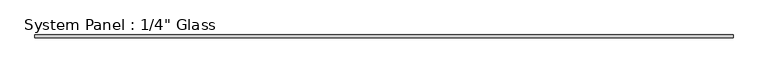
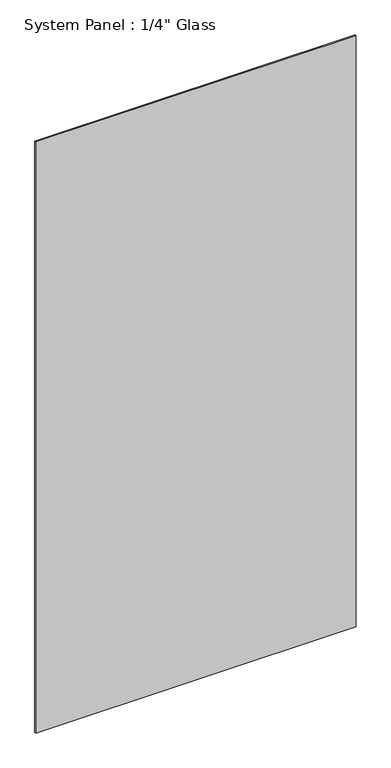
"""IFC4 building model written with IfcOpenShell, lengths in millimetres: plate geometry."""

from ifc_helpers import new_model, si_unit, origin, origin_with_axes, place, context, project, spatial, polyline, outline, extrude, source, transform, mapped, element, save


def plate_4a5cd506(model_context):
    return source(origin(), model_context, "Body", "SweptSolid", [
        extrude(outline(polyline([(759.2591185, -3.175), (-759.2591185, -3.175), (-759.2591185, 3.175), (759.2591185, 3.175), (759.2591185, -3.175)])), origin_with_axes(), (0.0, 0.0, 1.0), 2959.1),
    ])


if __name__ == "__main__":
    model = new_model("IFC4")
    model_context = context("Model", 3, world=origin())
    ifc_project = project(units=[si_unit("LENGTHUNIT", "METRE", prefix="MILLI")], contexts=[model_context])
    site = spatial("IfcSite", under=ifc_project)
    building = spatial("IfcBuilding", under=site)
    placement = place(None, origin())
    plate_shape = plate_4a5cd506(model_context)
    element("IfcPlate", 1, ObjectType="System Panel : 1/4\" Glass", at=placement, inside=building, context=model_context, shape_type="MappedRepresentation", body=[
        mapped(plate_shape, transform((0.0, 0.0, 0.0), x_axis=(1.0, 0.0, 0.0), y_axis=(0.0, 1.0, 0.0), z_axis=(0.0, 0.0, 1.0))),
    ])
    save(model, "model.ifc")
